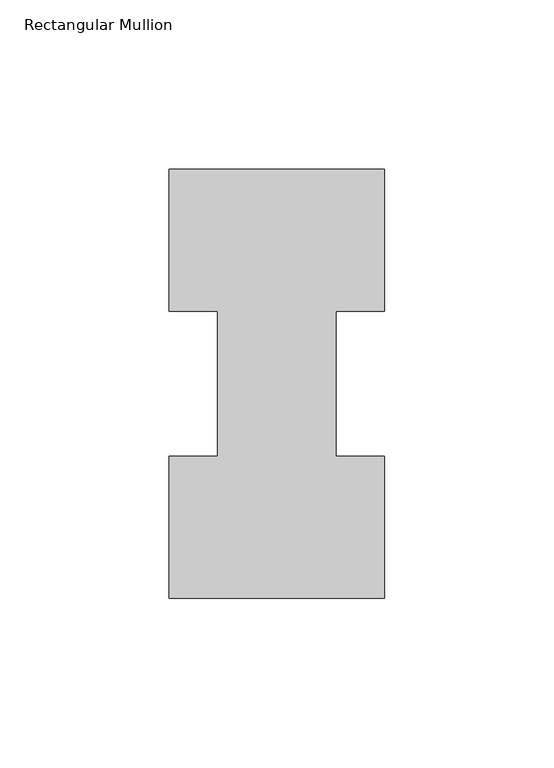
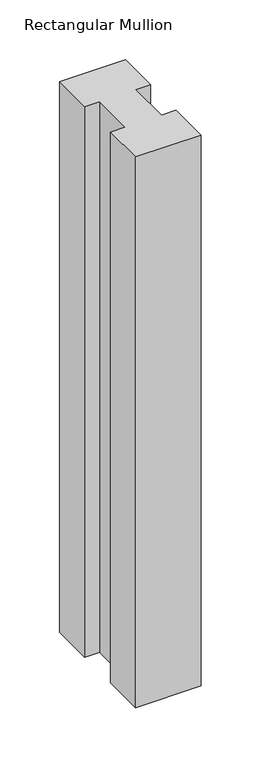
"""IFC4 building model written with IfcOpenShell, lengths in millimetres: member geometry, Rectangular Mullion."""

from ifc_helpers import new_model, si_unit, frame, origin, place, context, project, spatial, polyline, outline, extrude, source, transform, mapped, element, save


def rectangular_mullion_a44caf57(model_context):
    return source(origin(), model_context, "Body", "SweptSolid", [
        extrude(outline(polyline([(-63.5, 0.26035), (-63.5, 42.08145), (-49.2125, 42.08145), (-49.2125, 84.93125), (-63.5, 84.93125), (-63.5, 126.75235), (0.0, 126.75235), (0.0, 84.93125), (-14.2748, 84.93125), (-14.2748, 42.08145), (0.0, 42.08145), (0.0, 0.26035), (-63.5, 0.26035)])), frame((0.0, 0.0, -561.9813827), z_axis=(0.0, 0.0, 1.0), x_axis=(1.0, 0.0, 0.0)), (0.0, 0.0, 1.0), 561.9813827),
    ])


if __name__ == "__main__":
    model = new_model("IFC4")
    model_context = context("Model", 3, world=origin())
    ifc_project = project(units=[si_unit("LENGTHUNIT", "METRE", prefix="MILLI")], contexts=[model_context])
    site = spatial("IfcSite", under=ifc_project)
    building = spatial("IfcBuilding", under=site)
    placement = place(None, origin())
    rectangular_mullion_shape = rectangular_mullion_a44caf57(model_context)
    element("IfcMember", 1, ObjectType="Rectangular Mullion", at=placement, inside=building, context=model_context, shape_type="MappedRepresentation", body=[
        mapped(rectangular_mullion_shape, transform((0.0, 0.0, 0.0), x_axis=(1.0, 0.0, 0.0), y_axis=(0.0, 1.0, 0.0), z_axis=(0.0, 0.0, 1.0))),
    ])
    save(model, "model.ifc")
